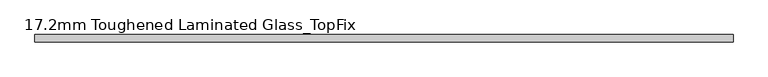
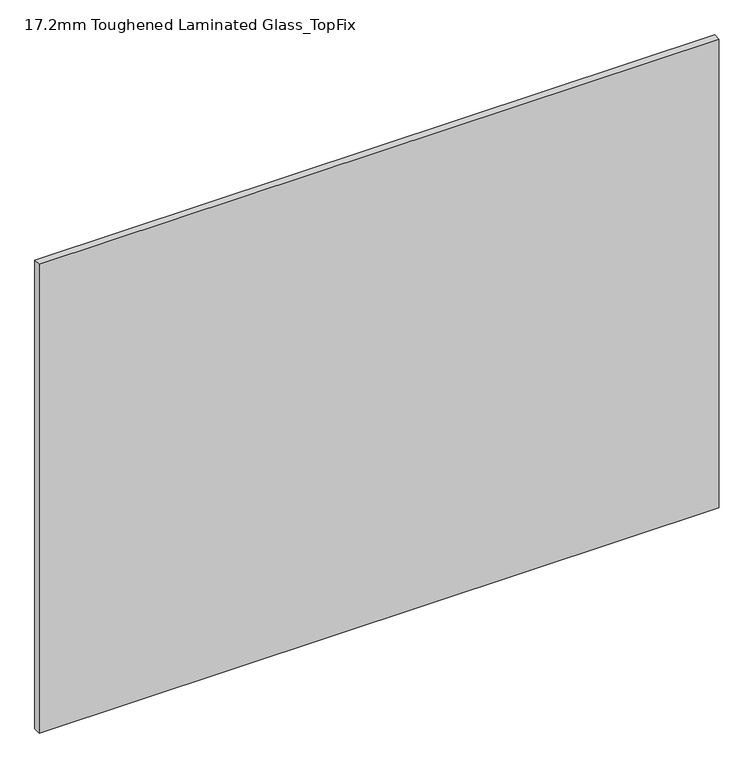
"""IFC4 building model written with IfcOpenShell, lengths in millimetres: plate geometry, 17.2mm Toughened Laminated Glass_TopFix."""

from ifc_helpers import new_model, si_unit, origin, origin_with_axes, place, context, project, spatial, polyline, outline, extrude, source, transform, mapped, element, save


def plate_17_2mm_toughened_laminated_glass_topfix_e7182abf(model_context):
    return source(origin(), model_context, "Body", "SweptSolid", [
        extrude(outline(polyline([(795.0000001, 8.6), (795.0000001, -8.6), (-795.0000001, -8.6), (-795.0000001, 8.6), (795.0000001, 8.6)])), origin_with_axes(), (0.0, 0.0, 1.0), 1158.0),
    ])


if __name__ == "__main__":
    model = new_model("IFC4")
    model_context = context("Model", 3, world=origin())
    ifc_project = project(units=[si_unit("LENGTHUNIT", "METRE", prefix="MILLI")], contexts=[model_context])
    site = spatial("IfcSite", under=ifc_project)
    building = spatial("IfcBuilding", under=site)
    placement = place(None, origin())
    plate_17_2mm_toughened_laminated_glass_topfix_shape = plate_17_2mm_toughened_laminated_glass_topfix_e7182abf(model_context)
    element("IfcPlate", 1, ObjectType="17.2mm Toughened Laminated Glass_TopFix", at=placement, inside=building, context=model_context, shape_type="MappedRepresentation", body=[
        mapped(plate_17_2mm_toughened_laminated_glass_topfix_shape, transform((0.0, 0.0, 0.0), x_axis=(1.0, 0.0, 0.0), y_axis=(0.0, 1.0, 0.0), z_axis=(0.0, 0.0, 1.0))),
    ])
    save(model, "model.ifc")
